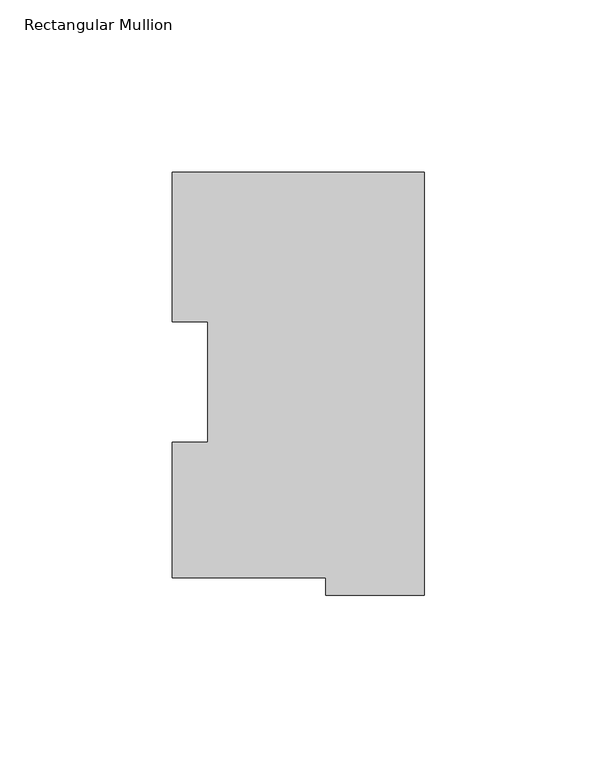
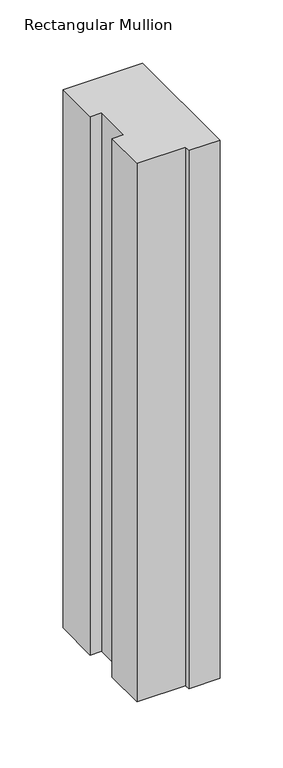
"""IFC4 building model written with IfcOpenShell, lengths in millimetres: member geometry, Rectangular Mullion."""

from ifc_helpers import new_model, si_unit, frame, origin, place, context, project, spatial, polyline, outline, extrude, source, transform, mapped, element, save


def rectangular_mullion_599ca110(model_context):
    return source(origin(), model_context, "Body", "SweptSolid", [
        extrude(outline(polyline([(-73.025, 117.827425), (0.0, 117.827425), (0.0, -4.778375), (-28.575, -4.778375), (-28.575, 0.225425), (-73.025, 0.225425), (-73.025, 39.646225), (-62.7126, 39.646225), (-62.7126, 74.596625), (-73.025, 74.596625), (-73.025, 117.827425)])), frame((0.0, 0.0, -520.7), z_axis=(0.0, 0.0, 1.0), x_axis=(1.0, 0.0, 0.0)), (0.0, 0.0, 1.0), 520.7),
    ])


if __name__ == "__main__":
    model = new_model("IFC4")
    model_context = context("Model", 3, world=origin())
    ifc_project = project(units=[si_unit("LENGTHUNIT", "METRE", prefix="MILLI")], contexts=[model_context])
    site = spatial("IfcSite", under=ifc_project)
    building = spatial("IfcBuilding", under=site)
    placement = place(None, origin())
    rectangular_mullion_shape = rectangular_mullion_599ca110(model_context)
    element("IfcMember", 1, ObjectType="Rectangular Mullion", at=placement, inside=building, context=model_context, shape_type="MappedRepresentation", body=[
        mapped(rectangular_mullion_shape, transform((0.0, 0.0, 0.0), x_axis=(1.0, 0.0, 0.0), y_axis=(0.0, 1.0, 0.0), z_axis=(0.0, 0.0, 1.0))),
    ])
    save(model, "model.ifc")
